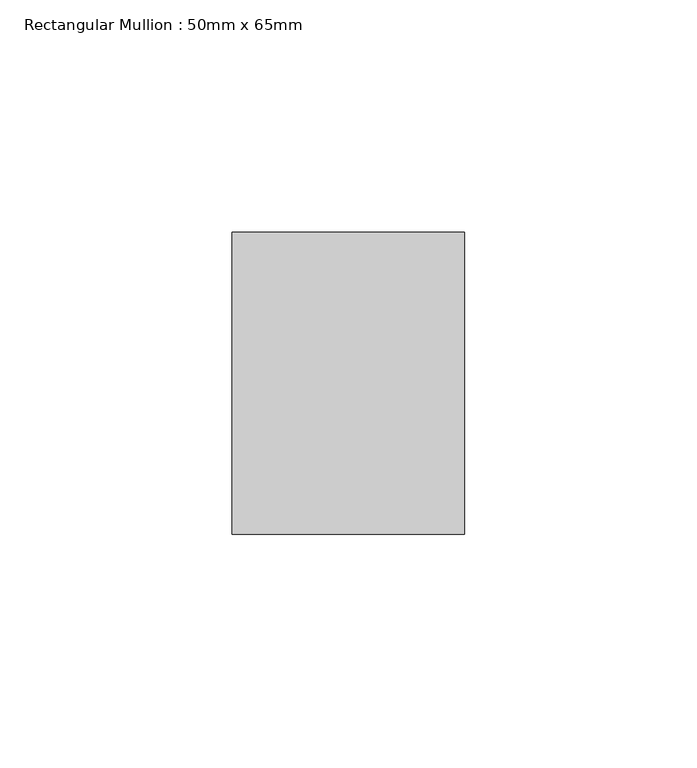
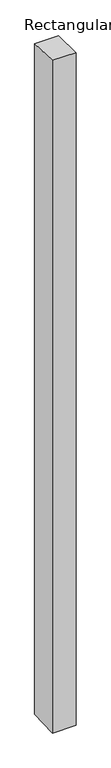
"""IFC4 building model written with IfcOpenShell, lengths in millimetres: member geometry, Rectangular Mullion : 50mm x 65mm."""

from ifc_helpers import new_model, si_unit, origin, place, context, project, spatial, faceted_brep, source, transform, mapped, element, save


def rectangular_mullion_50mm_x_65mm_f3c53c30(model_context):
    return source(origin(), model_context, "Body", "Brep", [
        faceted_brep([(-25.0, 32.5, -1.1419532), (25.0, 32.5, -1.1419469), (25.0, 32.5, -1498.5326003), (-25.0, 32.5, -1498.5325922), (-25.0, -32.5, 1.1419469), (-25.0, -32.5, -1501.4679424), (25.0, -32.5, 1.1419532), (25.0, -32.5, -1501.4679506)], [[[0, 1, 2, 3]], [[4, 0, 3, 5]], [[6, 4, 5, 7]], [[1, 6, 7, 2]], [[1, 0, 4, 6]], [[2, 7, 5, 3]]]),
    ])


if __name__ == "__main__":
    model = new_model("IFC4")
    model_context = context("Model", 3, world=origin())
    ifc_project = project(units=[si_unit("LENGTHUNIT", "METRE", prefix="MILLI")], contexts=[model_context])
    site = spatial("IfcSite", under=ifc_project)
    building = spatial("IfcBuilding", under=site)
    placement = place(None, origin())
    rectangular_mullion_50mm_x_65mm_shape = rectangular_mullion_50mm_x_65mm_f3c53c30(model_context)
    element("IfcMember", 1, ObjectType="Rectangular Mullion : 50mm x 65mm", at=placement, inside=building, context=model_context, shape_type="MappedRepresentation", body=[
        mapped(rectangular_mullion_50mm_x_65mm_shape, transform((0.0, 0.0, 0.0), x_axis=(1.0, 0.0, 0.0), y_axis=(0.0, 1.0, 0.0), z_axis=(0.0, 0.0, 1.0))),
    ])
    save(model, "model.ifc")
